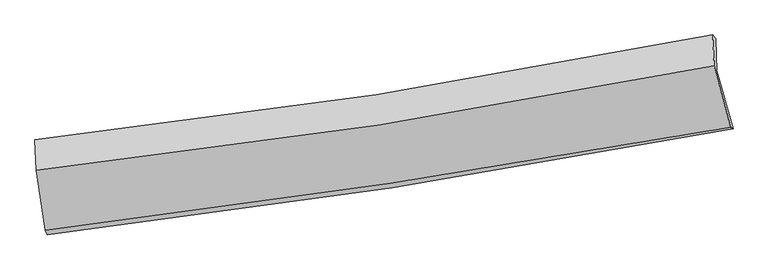
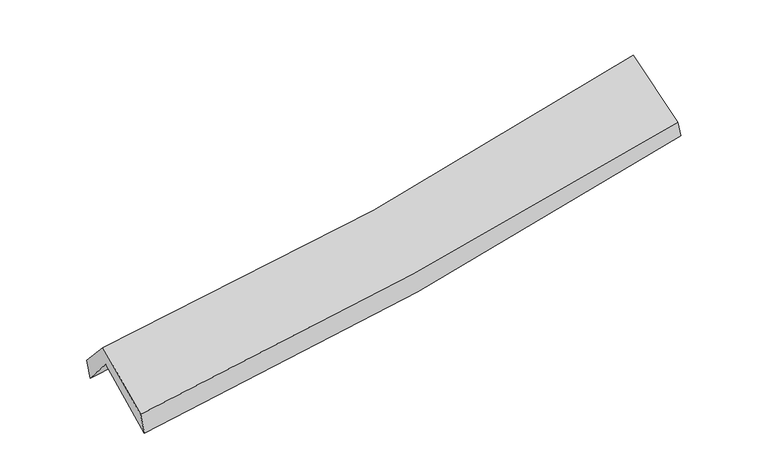
"""IFC4 building model written with IfcOpenShell, lengths in millimetres: proxy geometry."""

from ifc_helpers import new_model, si_unit, frame, origin, place, context, project, spatial, source, transform, mapped, element, save
from ifc_brep_helpers import plane_surface, spline_curve, spline_surface, advanced_brep


def generic_models_41866c84(model_context):
    return source(origin(), model_context, "Body", "AdvancedBrep", [
        advanced_brep(
        [(-2803.8486408, -2512.7892824, 1460.9913545), (-2882.828586, -1997.2739801, 1887.5686446), (2808.6293141, -1138.975601, 2402.5606315), (2943.5068215, -1624.2362653, 1980.0204507), (-2892.8676221, -1748.5890229, 1598.4725221), (2798.0648066, -870.7800393, 2091.7312111), (-2905.9563154, -1715.7056234, 1767.6644958), (2772.6540617, -839.0886194, 2260.5823318), (-2894.7844236, -1970.8522014, 2048.8936579), (2784.5522557, -1097.7600785, 2545.8342593), (-2817.9630982, -2474.2464953, 1637.665376), (2924.7355842, -1612.792195, 2122.6326555)],
        [
            (0, 1),
            (1, 2, spline_curve(3, [(-2882.828586, -1997.2739801, 1887.5686446), (-1923.012051494, -1891.351752014, 1932.127693672), (-967.792688666, -1766.669234222, 1997.461828217), (929.320071021, -1480.407055753, 2169.30601802), (1871.253341326, -1318.990113843, 2275.635879233), (2808.6293141, -1138.975601, 2402.5606315)], [4, 2, 4], [0.0, 9.553688926480904, 19.065855313924544])),
            (2, 3),
            (3, 0, spline_curve(3, [(2943.5068215, -1624.2362653, 1980.0204507), (1996.806523844, -1806.625497458, 1861.009792965), (1045.563074549, -1971.742635413, 1758.310635014), (-870.182329265, -2268.078095842, 1585.158219305), (-1834.724034111, -2399.145297022, 1514.847678493), (-2803.8486408, -2512.7892824, 1460.9913545)], [4, 2, 4], [0.0, 9.51216638744364, 19.065855313924544])),
            (1, 4),
            (4, 5, spline_curve(3, [(-2892.8676221, -1748.5890229, 1598.4725221), (-1933.314929446, -1634.873514344, 1634.190656448), (-978.271180368, -1504.669869512, 1693.294955455), (918.667187322, -1211.923864254, 1857.917359735), (1860.600914346, -1049.524514381, 1963.232623945), (2798.0648066, -870.7800393, 2091.7312111)], [4, 2, 4], [0.0, 9.505584524935983, 18.96985558367624])),
            (5, 2),
            (4, 6),
            (6, 7, spline_curve(3, [(-2905.9563154, -1715.7056234, 1767.6644958), (-1947.807523626, -1611.283875318, 1808.685692327), (-994.495511258, -1485.816755425, 1870.407219634), (898.332661992, -1193.42854911, 2034.892710533), (1837.890775577, -1026.690001019, 2137.477128936), (2772.6540617, -839.0886194, 2260.5823318)], [4, 2, 4], [0.0, 9.496143107339854, 18.951013783065882])),
            (7, 5),
            (6, 8),
            (8, 9, spline_curve(3, [(-2894.7844236, -1970.8522014, 2048.8936579), (-1936.460246213, -1868.058124894, 2091.727497303), (-982.999942721, -1743.698089412, 2154.69006416), (910.070096308, -1452.480327671, 2320.511519479), (1849.722019675, -1285.809655872, 2423.19581951), (2784.5522557, -1097.7600785, 2545.8342593)], [4, 2, 4], [0.0, 9.486637469324377, 18.932043820733604])),
            (9, 7),
            (8, 10),
            (10, 11, spline_curve(3, [(-2817.9630982, -2474.2464953, 1637.665376), (-1852.221776749, -2356.554944801, 1692.512295334), (-889.757787468, -2225.736442171, 1760.466193476), (1024.446680277, -1938.471150832, 1922.235637428), (1976.215585222, -1782.13822065, 2015.937499361), (2924.7355842, -1612.792195, 2122.6326555)], [4, 2, 4], [0.0, 9.534276109458458, 19.027114052466917])),
            (11, 9),
            (10, 0),
            (3, 11),
        ],
        [
            spline_surface(3, 3, [[(-2803.8486408, -2512.7892824, 1460.9913545), (-1834.72403425, -2399.145297046, 1514.847678537), (-870.182329343, -2268.078095906, 1585.158219376), (1045.563074627, -1971.742635349, 1758.310634944), (1996.806523823, -1806.625497458, 1861.009792847), (2943.5068215, -1624.2362653, 1980.0204507)], [(-2830.175289189, -2340.95084828, 1603.183784548), (-1864.153373339, -2229.880781965, 1653.941016902), (-902.719115748, -2100.941808696, 1722.592755662), (1006.815406719, -1807.964108845, 1895.30909598), (1954.955462983, -1644.080369526, 1999.218488257), (2898.547652371, -1462.482710504, 2120.867177631)], [(-2856.501937611, -2169.11241422, 1745.376214552), (-1893.582712462, -2060.616266945, 1793.034355223), (-935.255902147, -1933.805521416, 1860.027291924), (968.067738816, -1644.185582273, 2032.307556992), (1913.104402131, -1481.535241682, 2137.427183673), (2853.588483229, -1300.729155796, 2261.713904569)], [(-2882.828586, -1997.2739801, 1887.5686446), (-1923.012051552, -1891.351751865, 1932.127693589), (-967.792688552, -1766.669234206, 1997.461828209), (929.320070908, -1480.407055769, 2169.306018028), (1871.253341291, -1318.990113749, 2275.635879083), (2808.6293141, -1138.975601, 2402.5606315)]], [4, 4], [4, 2, 4], [0.0, 2.144599295415086], [0.0, 9.553688926480904, 19.065855313924544]),
            spline_surface(3, 3, [[(-2882.828586, -1997.2739801, 1887.5686446), (-1923.012051552, -1891.351751865, 1932.127693589), (-967.792688552, -1766.669234206, 1997.461828209), (929.320070908, -1480.407055769, 2169.306018028), (1871.253341291, -1318.990113749, 2275.635879083), (2808.6293141, -1138.975601, 2402.5606315)], [(-2886.174931383, -1914.37899438, 1791.203270429), (-1926.446344219, -1805.859006054, 1832.815347841), (-971.285519166, -1679.336112689, 1896.072870575), (925.769109678, -1390.912658542, 2065.509798651), (1867.702532308, -1229.168247289, 2171.501460722), (2805.107811617, -1049.577080464, 2298.950824717)], [(-2889.521276717, -1831.48400862, 1694.837896271), (-1929.880636837, -1720.366260202, 1733.503002107), (-974.778349715, -1592.002991185, 1794.683912934), (922.218148513, -1301.418261327, 1961.713579267), (1864.151723273, -1139.346380737, 2067.36704231), (2801.586309083, -960.178559836, 2195.341017883)], [(-2892.8676221, -1748.5890229, 1598.4725221), (-1933.314929505, -1634.873514391, 1634.19065636), (-978.271180329, -1504.669869667, 1693.2949553), (918.667187284, -1211.923864099, 1857.91735989), (1860.600914289, -1049.524514276, 1963.232623949), (2798.0648066, -870.7800393, 2091.7312111)]], [4, 4], [4, 2, 4], [0.0, 1.3333879965043827], [0.0, 9.505584524935983, 18.96985558367624]),
            spline_surface(3, 3, [[(-2892.8676221, -1748.5890229, 1598.4725221), (-1933.314929505, -1634.873514391, 1634.19065636), (-978.271180329, -1504.669869667, 1693.2949553), (918.667187284, -1211.923864099, 1857.91735989), (1860.600914289, -1049.524514276, 1963.232623949), (2798.0648066, -870.7800393, 2091.7312111)], [(-2897.230519846, -1737.627889736, 1654.869846661), (-1938.145794232, -1627.010301398, 1692.355668353), (-983.679290669, -1498.385498279, 1752.332376709), (911.889012246, -1205.758759043, 1916.909143487), (1853.030868005, -1041.913009786, 2021.314125578), (2789.594558272, -860.216232646, 2148.014918002)], [(-2901.593417654, -1726.666756564, 1711.267171239), (-1942.976659021, -1619.147088397, 1750.520680364), (-989.087401054, -1492.101126941, 1811.369798097), (905.110837165, -1199.593654037, 1975.900927063), (1845.460821803, -1034.301505358, 2079.395627202), (2781.124310028, -849.652426054, 2204.298624898)], [(-2905.9563154, -1715.7056234, 1767.6644958), (-1947.807523748, -1611.283875405, 1808.685692358), (-994.495511394, -1485.816755553, 1870.407219505), (898.332662128, -1193.428548982, 2034.892710661), (1837.890775519, -1026.690000867, 2137.477128831), (2772.6540617, -839.0886194, 2260.5823318)]], [4, 4], [4, 2, 4], [0.0, 0.5871435861295674], [0.0, 9.496143107339854, 18.951013783065882]),
            spline_surface(3, 3, [[(-2905.9563154, -1715.7056234, 1767.6644958), (-1947.807523748, -1611.283875405, 1808.685692358), (-994.495511394, -1485.816755553, 1870.407219505), (898.332662128, -1193.428548982, 2034.892710661), (1837.890775519, -1026.690000867, 2137.477128831), (2772.6540617, -839.0886194, 2260.5823318)], [(-2902.23235149, -1800.754482728, 1861.407549838), (-1944.025097902, -1696.875291922, 1903.032960664), (-990.663655204, -1571.777200171, 1965.168167736), (902.245140237, -1279.779141938, 2130.098980212), (1841.834523539, -1113.063219178, 2232.71669239), (2776.620126375, -925.312439094, 2355.666307638)], [(-2898.50838751, -1885.803342072, 1955.150603862), (-1940.242671986, -1782.466708457, 1997.380228957), (-986.831799037, -1657.737644702, 2059.929116031), (906.157618324, -1366.129734807, 2225.305249827), (1845.778271534, -1199.436437507, 2327.956255935), (2780.586191025, -1011.536258806, 2450.750283462)], [(-2894.7844236, -1970.8522014, 2048.8936579), (-1936.460246139, -1868.058124974, 2091.727497263), (-982.999942846, -1743.69808932, 2154.690064262), (910.070096433, -1452.480327763, 2320.511519377), (1849.722019555, -1285.809655819, 2423.195819495), (2784.5522557, -1097.7600785, 2545.8342593)]], [4, 4], [4, 2, 4], [0.0, 1.262735057197207], [0.0, 9.486637469324377, 18.932043820733604]),
            spline_surface(3, 3, [[(-2894.7844236, -1970.8522014, 2048.8936579), (-1936.460246139, -1868.058124974, 2091.727497263), (-982.999942846, -1743.69808932, 2154.690064262), (910.070096433, -1452.480327763, 2320.511519377), (1849.722019555, -1285.809655819, 2423.195819495), (2784.5522557, -1097.7600785, 2545.8342593)], [(-2869.177315134, -2138.65029937, 1911.817563928), (-1908.38075638, -2030.890398303, 1958.655763279), (-951.919224418, -1904.377540196, 2023.282107304), (948.195624425, -1614.477268815, 2187.752892101), (1891.886541446, -1451.252510722, 2287.443046089), (2831.28003187, -1269.437450664, 2404.767058018)], [(-2843.570206666, -2306.44839733, 1774.741469972), (-1880.30126662, -2193.722671623, 1825.584029312), (-920.838506009, -2065.05699114, 1891.87415033), (986.321152398, -1776.474209934, 2054.994264808), (1934.051063326, -1616.695365633, 2151.690272729), (2878.00780803, -1441.114822836, 2263.699856782)], [(-2817.9630982, -2474.2464953, 1637.665376), (-1852.221776861, -2356.554944952, 1692.512295328), (-889.757787581, -2225.736442016, 1760.466193372), (1024.44668039, -1938.471150987, 1922.235637532), (1976.215585217, -1782.138220536, 2015.937499323), (2924.7355842, -1612.792195, 2122.6326555)]], [4, 4], [4, 2, 4], [0.0, 2.0802589331878], [0.0, 9.534276109458458, 19.027114052466917]),
            spline_surface(3, 3, [[(-2817.9630982, -2474.2464953, 1637.665376), (-1852.221776861, -2356.554944952, 1692.512295328), (-889.757787581, -2225.736442016, 1760.466193372), (1024.44668039, -1938.471150987, 1922.235637532), (1976.215585217, -1782.138220536, 2015.937499323), (2924.7355842, -1612.792195, 2122.6326555)], [(-2813.258279059, -2487.094091006, 1578.774035497), (-1846.389195982, -2370.75172899, 1633.290756394), (-883.23263484, -2239.850326637, 1702.030202039), (1031.485478464, -1949.561645765, 1867.593970001), (1983.079231413, -1790.300646205, 1964.294930491), (2930.992663294, -1616.606885129, 2075.095253893)], [(-2808.553459941, -2499.941686694, 1519.882695003), (-1840.556615128, -2384.948513008, 1574.069217471), (-876.707482084, -2253.964211285, 1643.59421071), (1038.524276553, -1960.65214057, 1812.952302475), (1989.942877627, -1798.463071789, 1912.652361679), (2937.249742406, -1620.421575171, 2027.557852307)], [(-2803.8486408, -2512.7892824, 1460.9913545), (-1834.72403425, -2399.145297046, 1514.847678537), (-870.182329343, -2268.078095906, 1585.158219376), (1045.563074627, -1971.742635349, 1758.310634944), (1996.806523823, -1806.625497458, 1861.009792847), (2943.5068215, -1624.2362653, 1980.0204507)]], [4, 4], [4, 2, 4], [0.0, 0.5741262916214989], [0.0, 9.592059361714576, 19.142429417616547]),
            plane_surface(frame((2838.690474, -1197.2721331, 2233.89359), z_axis=(0.9783949927539116, 0.17181323947654378, 0.11499325586593827), x_axis=(0.2057942067308117, -0.7560858126293944, -0.6212752919733604))),
            plane_surface(frame((-2866.374781, -2069.9094343, 1733.5426752), z_axis=(-0.9928221194108814, -0.10552259884254504, -0.056295828815296226), x_axis=(-0.07781732716223576, 0.21249819137841722, 0.9740579973770696))),
        ],
        [
            (0, [[1, 2, 3, 4]]),
            (1, [[5, 6, 7, -2]]),
            (2, [[8, 9, 10, -6]]),
            (3, [[11, 12, 13, -9]]),
            (4, [[14, 15, 16, -12]]),
            (5, [[17, -4, 18, -15]]),
            (6, [[-16, -18, -3, -7, -10, -13]]),
            (7, [[-17, -14, -11, -8, -5, -1]]),
        ],
    ),
    ])


if __name__ == "__main__":
    model = new_model("IFC4")
    model_context = context("Model", 3, world=origin())
    ifc_project = project(units=[si_unit("LENGTHUNIT", "METRE", prefix="MILLI")], contexts=[model_context])
    site = spatial("IfcSite", under=ifc_project)
    building = spatial("IfcBuilding", under=site)
    placement = place(None, origin())
    generic_models_shape = generic_models_41866c84(model_context)
    element("IfcBuildingElementProxy", 1, Name="Generic Models", at=placement, inside=building, context=model_context, shape_type="MappedRepresentation", body=[
        mapped(generic_models_shape, transform((0.0, 0.0, 0.0), x_axis=(1.0, 0.0, 0.0), y_axis=(0.0, 1.0, 0.0), z_axis=(0.0, 0.0, 1.0))),
    ])
    save(model, "model.ifc")
